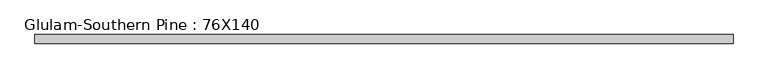
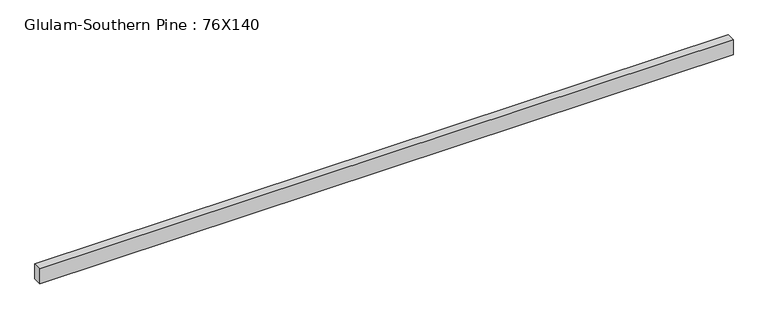
"""IFC4 building model written with IfcOpenShell, lengths in millimetres: member geometry, Glulam-Southern Pine : 76X140."""

from ifc_helpers import new_model, si_unit, frame, origin, place, context, project, spatial, polyline, outline, extrude, source, transform, mapped, element, save


def glulam_southern_pine_76x140_ca824253(model_context):
    return source(origin(), model_context, "Body", "SweptSolid", [
        extrude(outline(polyline([(3079.2240899, 38.0), (3079.2240899, -38.0), (-3079.2240899, -38.0), (-3079.2240899, 38.0), (3079.2240899, 38.0)])), frame((0.0, 0.0, -70.0), z_axis=(0.0, 0.0, 1.0), x_axis=(1.0, 0.0, 0.0)), (0.0, 0.0, 1.0), 140.0),
    ])


if __name__ == "__main__":
    model = new_model("IFC4")
    model_context = context("Model", 3, world=origin())
    ifc_project = project(units=[si_unit("LENGTHUNIT", "METRE", prefix="MILLI")], contexts=[model_context])
    site = spatial("IfcSite", under=ifc_project)
    building = spatial("IfcBuilding", under=site)
    placement = place(None, origin())
    glulam_southern_pine_76x140_shape = glulam_southern_pine_76x140_ca824253(model_context)
    element("IfcMember", 1, ObjectType="Glulam-Southern Pine : 76X140", at=placement, inside=building, context=model_context, shape_type="MappedRepresentation", body=[
        mapped(glulam_southern_pine_76x140_shape, transform((0.0, 0.0, 0.0), x_axis=(1.0, 0.0, 0.0), y_axis=(0.0, 1.0, 0.0), z_axis=(0.0, 0.0, 1.0))),
    ])
    save(model, "model.ifc")
